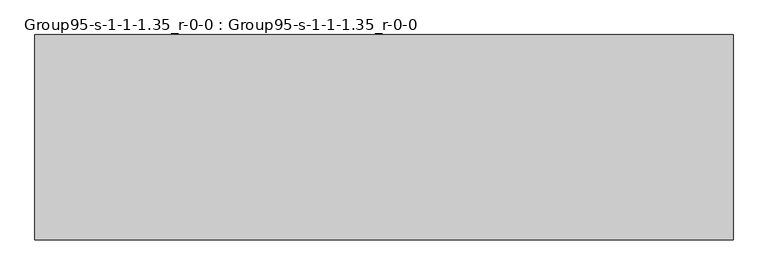
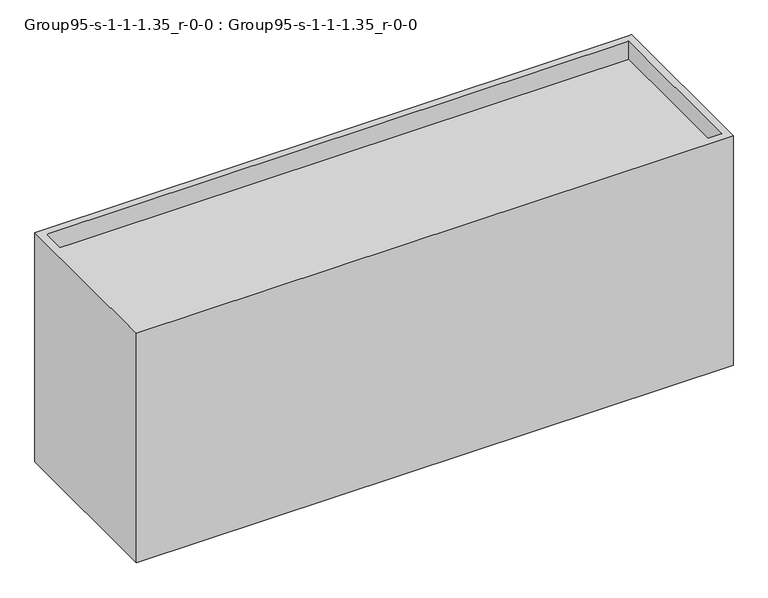
"""IFC4 building model written with IfcOpenShell, lengths in millimetres: geographic element geometry, Group95-s-1-1-1.35_r-0-0 : Group95-s-1-1-1.35_r-0-0."""

from ifc_helpers import new_model, si_unit, origin, place, context, project, spatial, triangles, source, transform, mapped, element, save


def group95_s_1_1_1_35_r_0_0_group95_s_1_1_1_35_r_0_0_ca02f158(model_context):
    return source(origin(), model_context, "Body", "Tessellation", [
        triangles([(16976.7253876, 7585.0748062, 0.0), (-8792.4749451, 0.0, 0.0), (-8792.4749451, 7585.0748062, 0.0), (16976.7253876, 0.0, 0.0), (-8487.6749451, 304.8, 10472.8549347), (16671.9253876, 304.8, 9649.8952835), (-8487.6749451, 304.8, 9649.8952835), (16671.9253876, 304.8, 10472.8549347), (16671.9253876, 7280.2748062, 10472.8549347), (-8487.6749451, 7280.2748062, 9649.8952835), (16671.9253876, 7280.2748062, 9649.8952835), (-8487.6749451, 7280.2748062, 10472.8549347), (-8792.4749451, 0.0, 10472.8549347), (-8792.4749451, 7585.0748062, 10472.8549347), (16976.7253876, 0.0, 10472.8549347), (16976.7253876, 7585.0748062, 10472.8549347)], [[1, 2, 3], [2, 1, 4], [5, 6, 7], [6, 5, 8], [9, 10, 11], [10, 9, 12], [9, 6, 8], [6, 9, 11], [10, 5, 7], [5, 10, 12], [13, 5, 14], [5, 13, 15], [5, 15, 8], [8, 15, 9], [14, 12, 16], [12, 14, 5], [16, 12, 9], [16, 9, 15], [6, 10, 7], [10, 6, 11], [14, 1, 3], [1, 14, 16], [1, 15, 4], [15, 1, 16], [4, 13, 2], [13, 4, 15], [13, 3, 2], [3, 13, 14]]),
    ])


if __name__ == "__main__":
    model = new_model("IFC4")
    model_context = context("Model", 3, world=origin())
    ifc_project = project(units=[si_unit("LENGTHUNIT", "METRE", prefix="MILLI")], contexts=[model_context])
    site = spatial("IfcSite", under=ifc_project)
    building = spatial("IfcBuilding", under=site)
    placement = place(None, origin())
    group95_s_1_1_1_35_r_0_0_group95_s_1_1_1_35_r_0_0_shape = group95_s_1_1_1_35_r_0_0_group95_s_1_1_1_35_r_0_0_ca02f158(model_context)
    element("IfcGeographicElement", 1, ObjectType="Group95-s-1-1-1.35_r-0-0 : Group95-s-1-1-1.35_r-0-0", at=placement, inside=building, context=model_context, shape_type="MappedRepresentation", body=[
        mapped(group95_s_1_1_1_35_r_0_0_group95_s_1_1_1_35_r_0_0_shape, transform((0.0, 0.0, 0.0), x_axis=(1.0, 0.0, 0.0), y_axis=(0.0, 1.0, 0.0), z_axis=(0.0, 0.0, 1.0))),
    ])
    save(model, "model.ifc")
